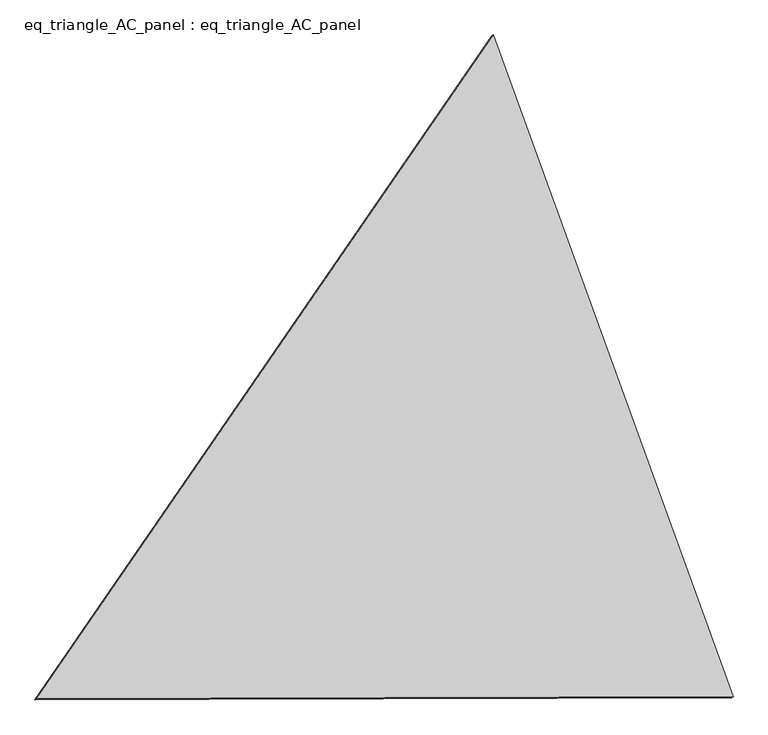
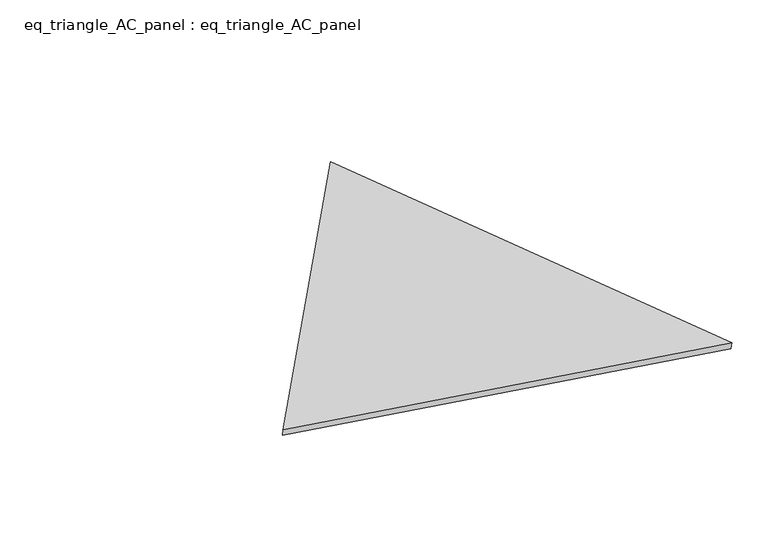
"""IFC4 building model written with IfcOpenShell, lengths in millimetres: proxy geometry, eq_triangle_AC_panel : eq_triangle_AC_panel."""

from ifc_helpers import new_model, si_unit, frame, origin, place, context, project, spatial, polyline, outline, extrude, source, transform, mapped, element, save


def eq_triangle_ac_panel_eq_triangle_ac_panel_6e95470a(model_context):
    return source(origin(), model_context, "Body", "SweptSolid", [
        extrude(outline(polyline([(-1940.6131339, 1096.950005), (1545.5417543, 1096.950005), (395.0713795, -2193.90001), (-1940.6131339, 1096.950005)])), frame((0.0038051, 527.9290861, 89.8240019), z_axis=(0.14526328518064877, 0.08386570281811963, 0.9858321976225712), x_axis=(0.3407798570289708, -0.9396730988178423, 0.029724676640595565)), (0.0, 0.0, 1.0), 43.8306294),
    ])


if __name__ == "__main__":
    model = new_model("IFC4")
    model_context = context("Model", 3, world=origin())
    ifc_project = project(units=[si_unit("LENGTHUNIT", "METRE", prefix="MILLI")], contexts=[model_context])
    site = spatial("IfcSite", under=ifc_project)
    building = spatial("IfcBuilding", under=site)
    placement = place(None, origin())
    eq_triangle_ac_panel_eq_triangle_ac_panel_shape = eq_triangle_ac_panel_eq_triangle_ac_panel_6e95470a(model_context)
    element("IfcBuildingElementProxy", 1, Name="eq_triangle_AC_panel : eq_triangle_AC_panel", ObjectType="eq_triangle_AC_panel : eq_triangle_AC_panel", at=placement, inside=building, context=model_context, shape_type="MappedRepresentation", body=[
        mapped(eq_triangle_ac_panel_eq_triangle_ac_panel_shape, transform((0.0, 0.0, 0.0), x_axis=(1.0, 0.0, 0.0), y_axis=(0.0, 1.0, 0.0), z_axis=(0.0, 0.0, 1.0))),
    ])
    save(model, "model.ifc")
